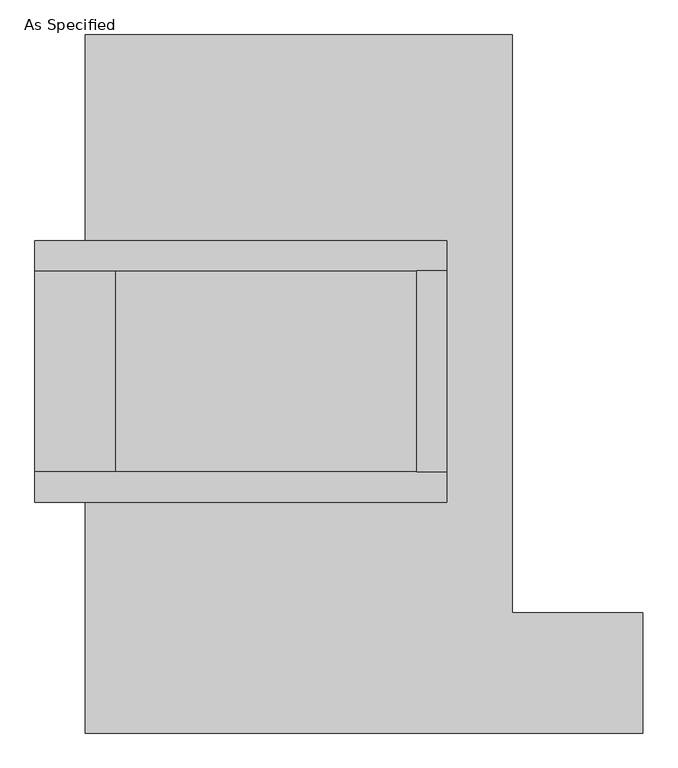
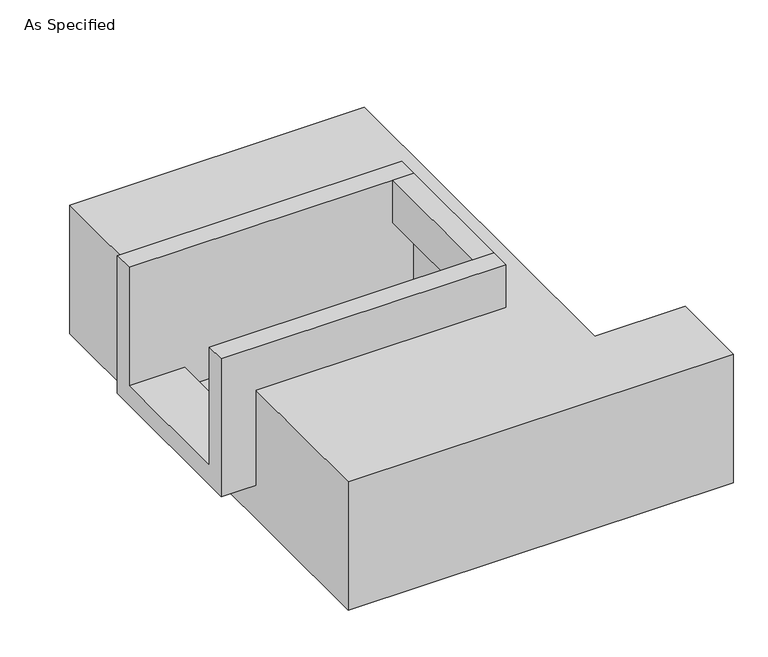
"""IFC4 building model written with IfcOpenShell, lengths in millimetres: proxy geometry, As Specified."""

from ifc_helpers import new_model, si_unit, frame, origin, place, context, project, spatial, polyline, outline, extrude, faceted_brep, source, transform, mapped, element, save


def as_specified_033c711a(model_context):
    return source(origin(), model_context, "Body", "SolidModel", [
        extrude(outline(polyline([(298.45, 285.75), (374.65, 285.75), (374.65, -222.25), (298.45, -222.25), (298.45, 285.75)])), frame((0.0, 0.0, -25.4), z_axis=(0.0, 0.0, 1.0), x_axis=(1.0, 0.0, 0.0)), (0.0, 0.0, 1.0), 165.1),
        faceted_brep([(374.65, 285.75, 139.7), (374.65, 285.75, -317.5), (374.65, -222.25, -317.5), (374.65, -222.25, 139.7), (374.65, -298.45, 139.7), (374.65, -298.45, -393.7), (374.65, 361.95, -393.7), (374.65, 361.95, 139.7), (-666.75, 285.75, 139.7), (-666.75, 361.95, 139.7), (-666.75, 361.95, -393.7), (-666.75, -298.45, -393.7), (-666.75, -298.45, 139.7), (-666.75, -222.25, 139.7), (-666.75, -222.25, -317.5), (-666.75, 285.75, -317.5), (-463.55, 285.75, -393.7), (-463.55, -222.25, -393.7), (298.45, -222.25, -393.7), (298.45, 285.75, -393.7), (298.45, -222.25, -317.5), (-463.55, -222.25, -317.5), (298.45, 285.75, -317.5), (-463.55, 285.75, -317.5)], [[[0, 1, 2, 3, 4, 5, 6, 7]], [[8, 9, 10, 11, 12, 13, 14, 15]], [[0, 7, 9, 8]], [[7, 6, 10, 9]], [[6, 5, 11, 10], [16, 17, 18, 19]], [[4, 3, 13, 12]], [[3, 2, 20, 18, 17, 21, 14, 13]], [[2, 1, 22, 20]], [[15, 14, 21, 23]], [[1, 0, 8, 15, 23, 16, 19, 22]], [[21, 17, 16, 23]], [[18, 20, 22, 19]], [[5, 4, 12, 11]]]),
        faceted_brep([(-539.75, 882.65, -523.9742188), (539.75, 882.65, -523.9742188), (539.75, -577.85, -523.9742188), (869.95, -577.85, -523.9742188), (869.95, -882.65, -523.9742188), (-539.75, -882.65, -523.9742188), (539.75, 882.65, -25.4), (-539.75, 882.65, -25.4), (-539.75, 361.95, -25.4), (374.65, 361.95, -25.4), (374.65, -298.45, -25.4), (-539.75, -298.45, -25.4), (-539.75, -882.65, -25.4), (869.95, -882.65, -25.4), (869.95, -577.85, -25.4), (539.75, -577.85, -25.4), (-539.75, -298.45, -393.7), (-539.75, 361.95, -393.7), (374.65, 361.95, -393.7), (374.65, -298.45, -393.7)], [[[0, 1, 2, 3, 4, 5]], [[6, 7, 8, 9, 10, 11, 12, 13, 14, 15]], [[1, 0, 7, 6]], [[7, 0, 5, 12, 11, 16, 17, 8]], [[1, 6, 15, 2]], [[5, 4, 13, 12]], [[18, 19, 10, 9]], [[17, 18, 9, 8]], [[19, 18, 17, 16]], [[19, 16, 11, 10]], [[4, 3, 14, 13]], [[3, 2, 15, 14]]]),
    ])


if __name__ == "__main__":
    model = new_model("IFC4")
    model_context = context("Model", 3, world=origin())
    ifc_project = project(units=[si_unit("LENGTHUNIT", "METRE", prefix="MILLI")], contexts=[model_context])
    site = spatial("IfcSite", under=ifc_project)
    building = spatial("IfcBuilding", under=site)
    placement = place(None, origin())
    as_specified_shape = as_specified_033c711a(model_context)
    element("IfcBuildingElementProxy", 1, Name="As Specified", ObjectType="As Specified", at=placement, inside=building, context=model_context, shape_type="MappedRepresentation", body=[
        mapped(as_specified_shape, transform((0.0, 0.0, 0.0), x_axis=(1.0, 0.0, 0.0), y_axis=(0.0, 1.0, 0.0), z_axis=(0.0, 0.0, 1.0))),
    ])
    save(model, "model.ifc")
